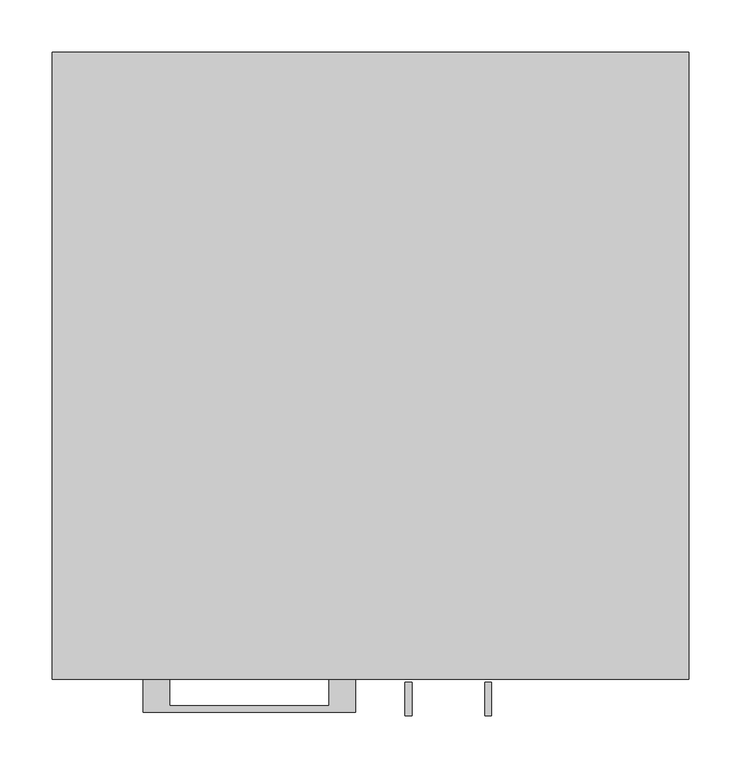
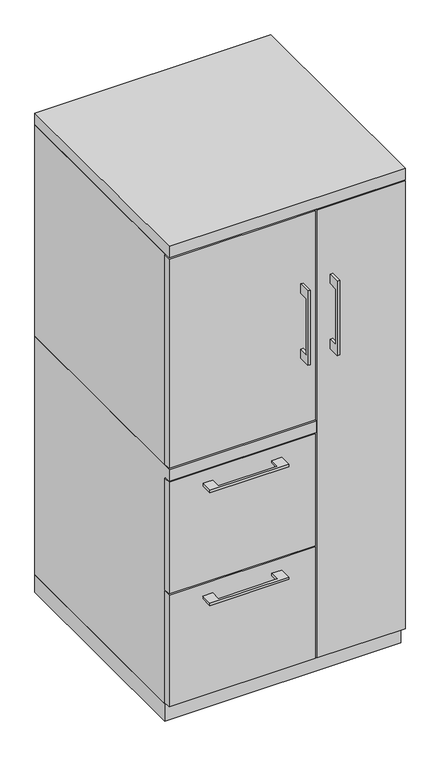
"""IFC4 building model written with IfcOpenShell, lengths in millimetres: furniture geometry."""

from ifc_helpers import new_model, si_unit, frame, origin, origin_with_axes, place, context, project, spatial, polyline, outline, extrude, faceted_brep, source, transform, mapped, element, save


def furniture_c29a541e(model_context):
    return source(origin(), model_context, "Body", "SolidModel", [
        extrude(outline(polyline([(-603.25, 1063.625), (-628.6499758, 1063.625), (-628.6499758, 911.225), (-603.25, 911.225), (-603.25, 885.825), (-634.9999879, 885.825), (-634.9999879, 1089.025), (-603.25, 1089.025), (-603.25, 1063.625)])), frame((33.3375121, 0.0, 0.0), z_axis=(1.0, 0.0, 0.0), x_axis=(0.0, 1.0, 0.0)), (0.0, 0.0, 1.0), 6.3499758),
        extrude(outline(polyline([(-304.8, -600.075), (-304.8, -581.025), (73.025, -581.025), (73.025, -600.075), (-304.8, -600.075)])), frame((0.0, 0.0, 701.675), z_axis=(0.0, 0.0, 1.0), x_axis=(1.0, 0.0, 0.0)), (0.0, 0.0, 1.0), 571.5),
        extrude(outline(polyline([(-192.0874818, -600.075), (-192.0874818, -625.4749758), (-39.6875, -625.4749758), (-39.6875, -600.075), (-14.2875061, -600.075), (-14.2875061, -631.8249879), (-217.4874939, -631.8249879), (-217.4874939, -600.075), (-192.0874818, -600.075)])), frame((0.0, 0.0, 623.8875506), z_axis=(0.0, 0.0, 1.0), x_axis=(1.0, 0.0, 0.0)), (0.0, 0.0, 1.0), 6.3499758),
        extrude(outline(polyline([(73.025, -581.025), (73.025, -600.075), (-304.8, -600.075), (-304.8, -581.025), (73.025, -581.025)])), frame((0.0, 0.0, 358.775), z_axis=(0.0, 0.0, 1.0), x_axis=(1.0, 0.0, 0.0)), (0.0, 0.0, 1.0), 304.8),
        extrude(outline(polyline([(-603.25, 1063.625), (-628.6499758, 1063.625), (-628.6499758, 911.225), (-603.25, 911.225), (-603.25, 885.825), (-634.9999879, 885.825), (-634.9999879, 1089.025), (-603.25, 1089.025), (-603.25, 1063.625)])), frame((109.5375121, 0.0, 0.0), z_axis=(1.0, 0.0, 0.0), x_axis=(0.0, 1.0, 0.0)), (0.0, 0.0, 1.0), 6.3499758),
        extrude(outline(polyline([(304.8, -600.075), (76.2, -600.075), (76.2, -581.025), (304.8, -581.025), (304.8, -600.075)])), frame((0.0, 0.0, 50.8), z_axis=(0.0, 0.0, 1.0), x_axis=(1.0, 0.0, 0.0)), (0.0, 0.0, 1.0), 1222.375),
        extrude(outline(polyline([(-192.0874818, -600.075), (-192.0874818, -625.4749758), (-39.6875, -625.4749758), (-39.6875, -600.075), (-14.2875061, -600.075), (-14.2875061, -631.8249879), (-217.4874939, -631.8249879), (-217.4874939, -600.075), (-192.0874818, -600.075)])), frame((0.0, 0.0, 315.9125506), z_axis=(0.0, 0.0, 1.0), x_axis=(1.0, 0.0, 0.0)), (0.0, 0.0, 1.0), 6.3499758),
        extrude(outline(polyline([(73.025, -581.025), (73.025, -600.075), (-304.8, -600.075), (-304.8, -581.025), (73.025, -581.025)])), frame((0.0, 0.0, 50.8), z_axis=(0.0, 0.0, 1.0), x_axis=(1.0, 0.0, 0.0)), (0.0, 0.0, 1.0), 304.8),
        faceted_brep([(-304.8, -581.025, 47.625), (-304.8, 0.0, 47.625), (76.2, 0.0, 47.625), (76.2, -581.025, 47.625), (-304.8, 0.0, 698.5), (76.2, 0.0, 698.5), (-304.8, -581.025, 666.75), (-304.8, -600.075, 666.75), (-304.8, -600.075, 698.5), (76.2, -581.025, 666.75), (57.15, -581.025, 666.75), (76.2, -581.025, 1276.35), (57.15, -581.025, 1276.35), (57.15, -581.025, 698.5), (76.2, -581.025, 698.5), (76.2, -19.05, 698.5), (76.2, -19.05, 1276.35), (76.2, -600.075, 698.5), (76.2, -600.075, 666.75), (57.15, -19.05, 1276.35), (57.15, -19.05, 698.5)], [[[0, 1, 2, 3]], [[2, 1, 4, 5]], [[4, 1, 0, 6, 7, 8]], [[6, 0, 3, 9, 10]], [[11, 12, 13, 14]], [[2, 5, 15, 16, 11, 14, 17, 18, 9, 3]], [[16, 19, 12, 11]], [[19, 16, 15, 20]], [[12, 19, 20, 13]], [[5, 4, 8, 17, 14, 13, 20, 15]], [[18, 7, 6, 10, 9]], [[17, 8, 7, 18]]]),
        extrude(outline(polyline([(76.2, 0.0), (76.2, -19.05), (-285.75, -19.05), (-285.75, -581.025), (-304.8, -581.025), (-304.8, 0.0), (76.2, 0.0)])), frame((0.0, 0.0, 698.5), z_axis=(0.0, 0.0, 1.0), x_axis=(1.0, 0.0, 0.0)), (0.0, 0.0, 1.0), 577.85),
        extrude(outline(polyline([(304.8, 0.0), (304.8, -581.025), (285.75, -581.025), (285.75, -19.05), (76.2, -19.05), (76.2, 0.0), (304.8, 0.0)])), frame((0.0, 0.0, 47.625), z_axis=(0.0, 0.0, 1.0), x_axis=(1.0, 0.0, 0.0)), (0.0, 0.0, 1.0), 1228.725),
        extrude(outline(polyline([(304.8, 0.0), (304.8, -600.075), (-304.8, -600.075), (-304.8, 0.0), (304.8, 0.0)])), frame((0.0, 0.0, 1276.35), z_axis=(0.0, 0.0, 1.0), x_axis=(1.0, 0.0, 0.0)), (0.0, 0.0, 1.0), 31.75),
        extrude(outline(polyline([(304.8, 0.0), (304.8, -581.025), (-304.8, -581.025), (-304.8, 0.0), (304.8, 0.0)])), origin_with_axes(), (0.0, 0.0, 1.0), 47.625),
    ])


if __name__ == "__main__":
    model = new_model("IFC4")
    model_context = context("Model", 3, world=origin())
    ifc_project = project(units=[si_unit("LENGTHUNIT", "METRE", prefix="MILLI")], contexts=[model_context])
    site = spatial("IfcSite", under=ifc_project)
    building = spatial("IfcBuilding", under=site)
    placement = place(None, origin())
    furniture_shape = furniture_c29a541e(model_context)
    element("IfcFurniture", 1, at=placement, inside=building, context=model_context, shape_type="MappedRepresentation", body=[
        mapped(furniture_shape, transform((0.0, 0.0, 0.0), x_axis=(1.0, 0.0, 0.0), y_axis=(0.0, 1.0, 0.0), z_axis=(0.0, 0.0, 1.0))),
    ])
    save(model, "model.ifc")
